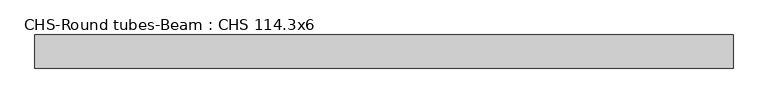
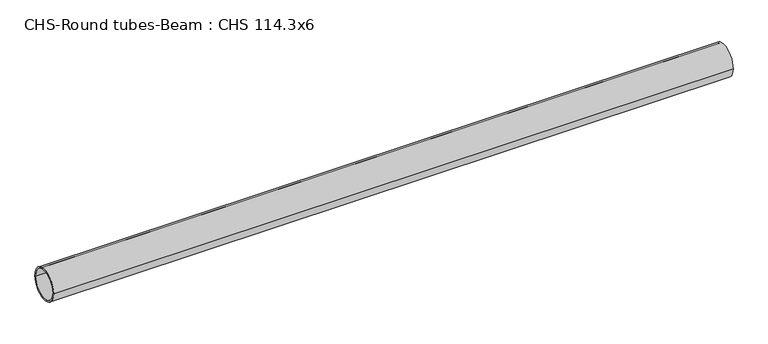
"""IFC4 building model written with IfcOpenShell, lengths in millimetres: beam geometry, CHS-Round tubes-Beam : CHS 114.3x6."""

import ifcopenshell
import ifcopenshell.guid

model = None  # the IFC model being written
_history = None  # IfcOwnerHistory: only IFC2X3 demands one
_inside = {}  # id of a spatial element -> (the spatial element, [elements in it])
_under = {}  # id of a project, library or spatial element -> (it, [spatial elements below it])
_declared = {}  # id of a project -> (the project, [libraries it declares])
_typed = {}  # id of a type object -> (the type object, [elements of that type])
_made_of = {}  # id of a material, layer set ... -> (it, [elements and type objects made of it])


def new_model(schema):
    """Start an empty IFC model of exactly this schema.

    Asked for "IFC4X3", IfcOpenShell would pick the latest addendum, in which some entities
    have other attributes; the version numbers below select the first issue.
    IFC2X3 requires an IfcOwnerHistory on every rooted entity: one is made here for all.
    """
    global model, _history
    if schema == "IFC4X3":
        model = ifcopenshell.file(schema_version=(4, 3, 0, 0))
    else:
        model = ifcopenshell.file(schema=schema)
    _inside.clear()
    _under.clear()
    _declared.clear()
    _typed.clear()
    _made_of.clear()
    _history = None
    if model.schema == "IFC2X3":
        org = make("IfcOrganization", Name="unknown")
        user = make(
            "IfcPersonAndOrganization",
            ThePerson=make("IfcPerson", FamilyName="unknown"),
            TheOrganization=org,
        )
        app = make(
            "IfcApplication",
            ApplicationDeveloper=org,
            Version="unknown",
            ApplicationFullName="unknown",
            ApplicationIdentifier="unknown",
        )
        _history = make(
            "IfcOwnerHistory",
            OwningUser=user,
            OwningApplication=app,
            ChangeAction="ADDED",
            CreationDate=0,
        )
    return model


def make(cls, **values):
    """One entity of the class cls with the attributes given. An attribute that is None is left unset."""
    return model.create_entity(
        cls, **{name: value for name, value in values.items() if value is not None}
    )


def rooted(cls, **values):
    """An entity with a GlobalId (a new one), such as an element, a storey or a relation."""
    return make(cls, GlobalId=ifcopenshell.guid.new(), OwnerHistory=_history, **values)


def si_unit(unit_type, name, prefix=None):
    """IfcSIUnit, for example si_unit("LENGTHUNIT", "METRE", prefix="MILLI")."""
    return make("IfcSIUnit", UnitType=unit_type, Prefix=prefix, Name=name)


def assignment(units):
    """IfcUnitAssignment: the units of a project."""
    return None if units is None else make("IfcUnitAssignment", Units=units)


def point(xyz):
    """IfcCartesianPoint."""
    return None if xyz is None else make("IfcCartesianPoint", Coordinates=xyz)


def direction(xyz):
    """IfcDirection."""
    return None if xyz is None else make("IfcDirection", DirectionRatios=xyz)


def frame(location, z_axis=None, x_axis=None):
    """IfcAxis2Placement3D, a coordinate frame: its origin and axes. An axis left out is left unset."""
    return make(
        "IfcAxis2Placement3D",
        Location=point(location),
        Axis=direction(z_axis),
        RefDirection=direction(x_axis),
    )


def frame_2d(location, x_axis=None):
    """IfcAxis2Placement2D, a coordinate frame in the plane: its origin and x axis."""
    return make(
        "IfcAxis2Placement2D", Location=point(location), RefDirection=direction(x_axis)
    )


def origin():
    """The frame at (0, 0, 0) with its axes left unset."""
    return frame((0.0, 0.0, 0.0))


def origin_2d():
    """The frame at (0, 0) in the plane with its x axis left unset."""
    return frame_2d((0.0, 0.0))


def place(relative_to, where):
    """IfcLocalPlacement: puts the frame where relative to a parent placement (None: the world)."""
    return make(
        "IfcLocalPlacement", PlacementRelTo=relative_to, RelativePlacement=where
    )


def context(
    kind, dimensions, precision=None, world=None, true_north=None, identifier=None
):
    """IfcGeometricRepresentationContext, for example the 3D "Model" context."""
    return make(
        "IfcGeometricRepresentationContext",
        ContextIdentifier=identifier,
        ContextType=kind,
        CoordinateSpaceDimension=dimensions,
        Precision=precision,
        WorldCoordinateSystem=world,
        TrueNorth=true_north,
    )


def project(units=None, contexts=None):
    """IfcProject with its units and contexts."""
    return rooted(
        "IfcProject",
        Name="project",
        RepresentationContexts=contexts,
        UnitsInContext=assignment(units),
    )


def spatial(cls, under=None, at=None, **own):
    """A site, building, storey or space (cls), placed at a placement, below another one or the project."""
    s = rooted(cls, ObjectPlacement=at, **own)
    if under is not None:
        _under.setdefault(under.id(), (under, []))[1].append(s)
    return s


def circle_curve(where, radius):
    """IfcCircle in the frame where."""
    return make("IfcCircle", Position=where, Radius=radius)


def trimmed(basis, trim1, trim2, sense, master):
    """IfcTrimmedCurve: the piece of a basis curve between two trims."""
    return make(
        "IfcTrimmedCurve",
        BasisCurve=basis,
        Trim1=trim1,
        Trim2=trim2,
        SenseAgreement=sense,
        MasterRepresentation=master,
    )


def segment(curve, same_sense, transition):
    """IfcCompositeCurveSegment."""
    return make(
        "IfcCompositeCurveSegment",
        Transition=transition,
        SameSense=same_sense,
        ParentCurve=curve,
    )


def composite_curve(segments, self_intersect=None):
    """IfcCompositeCurve: segments joined end to end."""
    return make("IfcCompositeCurve", Segments=segments, SelfIntersect=self_intersect)


def outline(outer, holes=None, kind="AREA"):
    """IfcArbitraryClosedProfileDef: a profile drawn as a closed curve; with holes, ...WithVoids."""
    if holes is None:
        return make("IfcArbitraryClosedProfileDef", ProfileType=kind, OuterCurve=outer)
    return make(
        "IfcArbitraryProfileDefWithVoids",
        ProfileType=kind,
        OuterCurve=outer,
        InnerCurves=holes,
    )


def extrude(swept, where, along, depth):
    """IfcExtrudedAreaSolid: the profile swept, set in the frame where, extruded along a direction by depth."""
    return make(
        "IfcExtrudedAreaSolid",
        SweptArea=swept,
        Position=where,
        ExtrudedDirection=direction(along),
        Depth=depth,
    )


def shape(context_of_items, identifier, shape_type, items):
    """IfcShapeRepresentation: the items that make up one representation, for example the "Body"."""
    return make(
        "IfcShapeRepresentation",
        ContextOfItems=context_of_items,
        RepresentationIdentifier=identifier,
        RepresentationType=shape_type,
        Items=items,
    )


def source(mapping_origin, context_of_items, identifier, shape_type, items):
    """IfcRepresentationMap: a shape defined once, which mapped items show again and again."""
    return make(
        "IfcRepresentationMap",
        MappingOrigin=mapping_origin,
        MappedRepresentation=shape(context_of_items, identifier, shape_type, items),
    )


def transform(
    local_origin,
    x_axis=None,
    y_axis=None,
    z_axis=None,
    scale=None,
    scale2=None,
    scale3=None,
    uniform=True,
):
    """IfcCartesianTransformationOperator3D, or its non-uniform kind. x_axis, y_axis, z_axis: its Axis1, 2, 3."""
    if uniform:
        return make(
            "IfcCartesianTransformationOperator3D",
            Axis1=direction(x_axis),
            Axis2=direction(y_axis),
            LocalOrigin=point(local_origin),
            Scale=scale,
            Axis3=direction(z_axis),
        )
    return make(
        "IfcCartesianTransformationOperator3DnonUniform",
        Axis1=direction(x_axis),
        Axis2=direction(y_axis),
        LocalOrigin=point(local_origin),
        Scale=scale,
        Axis3=direction(z_axis),
        Scale2=scale2,
        Scale3=scale3,
    )


def mapped(mapping_source, mapping_target):
    """IfcMappedItem: shows the shape of a source again, moved by a transform."""
    return make(
        "IfcMappedItem", MappingSource=mapping_source, MappingTarget=mapping_target
    )


def made_of(thing, what):
    """Note that an element or type object is made of a material, layer set ...; save() writes the relation."""
    if what is not None:
        _made_of.setdefault(what.id(), (what, []))[1].append(thing)
    return thing


def element(
    cls,
    number,
    at=None,
    inside=None,
    cuts=None,
    type_object=None,
    material=None,
    context=None,
    identifier="Body",
    shape_type=None,
    held_by="IfcProductDefinitionShape",
    body=None,
    shapes=None,
    **own,
):
    """One element of the class cls, such as IfcWall. Its Tag is "e" and its number.

    at: its placement. inside: the storey or other place that contains it. cuts: it is an
    opening in that element (IfcRelVoidsElement). A single representation is given by context,
    identifier, shape_type and body (its items); several are given by shapes. held_by: the class
    of the entity that holds the representations. save() writes the other relations.
    """
    e = rooted(cls, Tag="e%d" % number, ObjectPlacement=at, **own)
    if body is not None:
        shapes = [shape(context, identifier, shape_type, body)]
    if shapes is not None:
        e.Representation = make(held_by, Representations=shapes)
    if inside is not None:
        _inside.setdefault(inside.id(), (inside, []))[1].append(e)
    if cuts is not None:
        rooted(
            "IfcRelVoidsElement", RelatingBuildingElement=cuts, RelatedOpeningElement=e
        )
    if type_object is not None:
        _typed.setdefault(type_object.id(), (type_object, []))[1].append(e)
    return made_of(e, material)


def aggregate(whole, parts):
    """IfcRelAggregates: a whole, such as a stair, and the parts it consists of."""
    return rooted("IfcRelAggregates", RelatingObject=whole, RelatedObjects=parts)


def save(model, path):
    """Write the relations noted so far, then the file.

    IfcRelAggregates (storeys below a building ...), IfcRelContainedInSpatialStructure (elements
    in a storey), IfcRelDefinesByType, IfcRelAssociatesMaterial and IfcRelDeclares: one each for
    every whole, place, type object, material and project.
    """
    for whole, parts in _under.values():
        aggregate(whole, parts)
    for where, things in _inside.values():
        rooted(
            "IfcRelContainedInSpatialStructure",
            RelatedElements=things,
            RelatingStructure=where,
        )
    for kind, things in _typed.values():
        rooted("IfcRelDefinesByType", RelatedObjects=things, RelatingType=kind)
    for what, things in _made_of.values():
        rooted("IfcRelAssociatesMaterial", RelatedObjects=things, RelatingMaterial=what)
    for by, libraries in _declared.values():
        rooted("IfcRelDeclares", RelatingContext=by, RelatedDefinitions=libraries)
    model.write(path)


def chs_round_tubes_beam_chs_114_3x6_9a4d7949(model_context):
    return source(origin(), model_context, "Body", "SweptSolid", [
        extrude(outline(composite_curve([segment(trimmed(circle_curve(origin_2d(), 57.15), [point((57.15, 0.0))], [point((-57.15, 0.0))], False, "CARTESIAN"), True, "CONTINUOUS"), segment(trimmed(circle_curve(origin_2d(), 57.15), [point((-57.15, 0.0))], [point((57.15, 0.0))], False, "CARTESIAN"), True, "CONTINUOUS")], self_intersect=False), holes=[composite_curve([segment(trimmed(circle_curve(origin_2d(), 51.15), [point((51.15, 0.0))], [point((-51.15, 0.0))], True, "CARTESIAN"), True, "CONTINUOUS"), segment(trimmed(circle_curve(origin_2d(), 51.15), [point((-51.15, 0.0))], [point((51.15, 0.0))], True, "CARTESIAN"), True, "CONTINUOUS")], self_intersect=False)]), frame((-1191.0775402, 0.0, 0.0), z_axis=(1.0, 0.0, 0.0), x_axis=(0.0, 1.0, 0.0)), (0.0, 0.0, 1.0), 2406.7900287),
    ])


if __name__ == "__main__":
    model = new_model("IFC4")
    model_context = context("Model", 3, world=origin())
    ifc_project = project(units=[si_unit("LENGTHUNIT", "METRE", prefix="MILLI")], contexts=[model_context])
    site = spatial("IfcSite", under=ifc_project)
    building = spatial("IfcBuilding", under=site)
    placement = place(None, origin())
    chs_round_tubes_beam_chs_114_3x6_shape = chs_round_tubes_beam_chs_114_3x6_9a4d7949(model_context)
    element("IfcBeam", 1, ObjectType="CHS-Round tubes-Beam : CHS 114.3x6", at=placement, inside=building, context=model_context, shape_type="MappedRepresentation", body=[
        mapped(chs_round_tubes_beam_chs_114_3x6_shape, transform((0.0, 0.0, 0.0), x_axis=(1.0, 0.0, 0.0), y_axis=(0.0, 1.0, 0.0), z_axis=(0.0, 0.0, 1.0))),
    ])
    save(model, "model.ifc")
